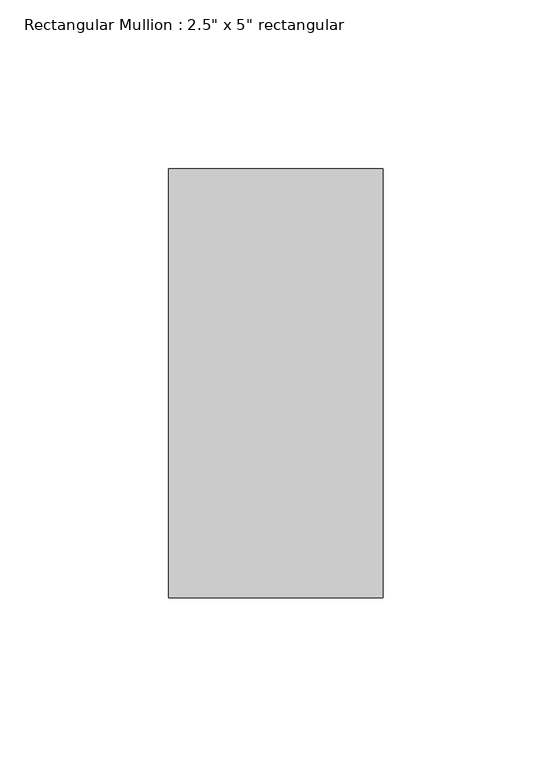
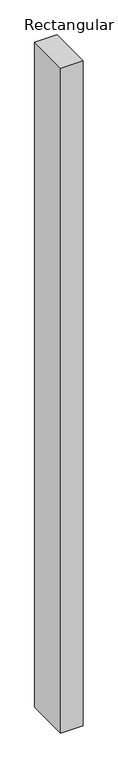
"""IFC4 building model written with IfcOpenShell, lengths in millimetres: member geometry."""

from ifc_helpers import new_model, si_unit, frame, origin, place, context, project, spatial, polyline, outline, extrude, source, transform, mapped, element, save


def member_63e6437c(model_context):
    return source(origin(), model_context, "Body", "SweptSolid", [
        extrude(outline(polyline([(0.0, 63.5), (0.0, -63.5), (-63.5, -63.5), (-63.5, 63.5), (0.0, 63.5)])), frame((0.0, 0.0, -1981.2), z_axis=(0.0, 0.0, 1.0), x_axis=(1.0, 0.0, 0.0)), (0.0, 0.0, 1.0), 1981.2),
    ])


if __name__ == "__main__":
    model = new_model("IFC4")
    model_context = context("Model", 3, world=origin())
    ifc_project = project(units=[si_unit("LENGTHUNIT", "METRE", prefix="MILLI")], contexts=[model_context])
    site = spatial("IfcSite", under=ifc_project)
    building = spatial("IfcBuilding", under=site)
    placement = place(None, origin())
    member_shape = member_63e6437c(model_context)
    element("IfcMember", 1, ObjectType="Rectangular Mullion : 2.5\" x 5\" rectangular", at=placement, inside=building, context=model_context, shape_type="MappedRepresentation", body=[
        mapped(member_shape, transform((0.0, 0.0, 0.0), x_axis=(1.0, 0.0, 0.0), y_axis=(0.0, 1.0, 0.0), z_axis=(0.0, 0.0, 1.0))),
    ])
    save(model, "model.ifc")
